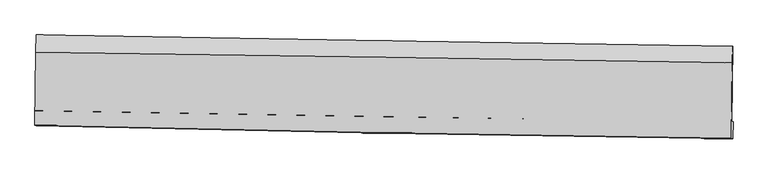
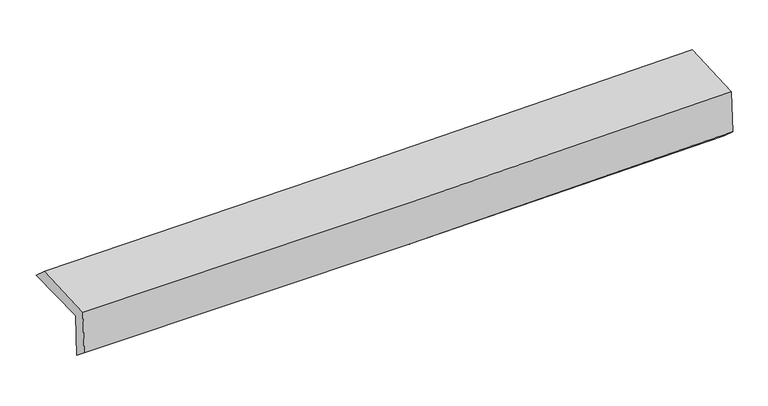
"""IFC4 building model written with IfcOpenShell, lengths in millimetres: proxy geometry."""

from ifc_helpers import new_model, si_unit, frame, origin, place, context, project, spatial, source, transform, mapped, element, save
from ifc_brep_helpers import plane_surface, spline_curve, spline_surface, advanced_brep


def generic_models_2a2c72ec(model_context):
    return source(origin(), model_context, "Body", "AdvancedBrep", [
        advanced_brep(
        [(-3030.3708856, -1749.6790547, 1970.16779), (-3021.2788298, -1093.811262, 1972.7826314), (3016.8191036, -1192.1518662, 2102.7373714), (3008.0106945, -1847.9881821, 2115.0956085), (-3020.8866101, -1748.2139971, 1569.7168702), (3017.8617023, -1846.4664745, 1699.1602851), (-3025.2315548, -1879.4209263, 1676.0815347), (3012.8469577, -1992.5527791, 1831.0646014), (-3034.872418, -1877.4046623, 2085.2142419), (3003.4382767, -1990.585724, 2230.2028421), (-3026.428423, -1242.3590441, 2102.9541124), (3011.5106313, -1335.6641536, 2248.4826768)],
        [
            (0, 1),
            (1, 2, spline_curve(3, [(-3021.2788298, -1093.811262, 1972.7826314), (-2014.704781789, -1111.959958004, 1984.166728783), (-1008.235151697, -1129.229469468, 2000.688586249), (1004.464153162, -1162.009616499, 2044.007150577), (2010.693834018, -1177.5203063, 2070.803539952), (3016.8191036, -1192.1518662, 2102.7373714)], [4, 2, 4], [0.0, 9.909313712006236, 19.818321001228778])),
            (2, 3),
            (3, 0, spline_curve(3, [(3008.0106945, -1847.9881821, 2115.0956085), (2001.555792212, -1833.408461502, 2092.31732886), (995.137655518, -1817.92631468, 2068.85106845), (-1017.656206514, -1785.156661449, 2020.541838013), (-2024.031930112, -1767.869099298, 1995.698825957), (-3030.3708856, -1749.6790547, 1970.16779)], [4, 2, 4], [0.0, 9.909007289222542, 19.818321001228778])),
            (4, 0),
            (3, 5),
            (5, 4, spline_curve(3, [(3017.8617023, -1846.4664745, 1699.1602851), (2011.428457699, -1831.883408425, 1675.467553714), (1004.990590395, -1816.404309402, 1652.834387526), (-1007.925513482, -1783.653539219, 1609.68651674), (-2014.403750208, -1766.38181245, 1589.171878334), (-3020.8866101, -1748.2139971, 1569.7168702)], [4, 2, 4], [0.0, 9.909500754499804, 19.819307947043058])),
            (6, 4),
            (5, 7),
            (7, 6, spline_curve(3, [(3012.8469577, -1992.5527791, 1831.0646014), (2006.569248978, -1980.400086203, 1798.297834334), (1000.264965175, -1964.896282819, 1768.999341241), (-1012.42787041, -1927.185872718, 1717.338104394), (-2018.816424642, -1904.979058211, 1694.97557526), (-3025.2315548, -1879.4209263, 1676.0815347)], [4, 2, 4], [0.0, 9.909699745388368, 19.81970593497371])),
            (8, 6),
            (7, 9),
            (9, 8, spline_curve(3, [(3003.4382767, -1990.585724, 2230.2028421), (1997.043294008, -1978.408394591, 2202.436683019), (990.661024719, -1962.888172398, 2176.471379201), (-1022.10920755, -1925.161358685, 2128.141734345), (-2028.49716987, -1902.954560476, 2105.777504972), (-3034.872418, -1877.4046623, 2085.2142419)], [4, 2, 4], [0.0, 9.909920181981049, 19.82014681497578])),
            (10, 8),
            (9, 11),
            (11, 10, spline_curve(3, [(3011.5106313, -1335.6641536, 2248.4826768), (2005.271273509, -1320.234443924, 2220.810068859), (998.997786981, -1304.744284292, 2194.846545749), (-1013.648562497, -1273.642585027, 2146.336918615), (-2020.021427221, -1258.031041391, 2123.79092019), (-3026.428423, -1242.3590441, 2102.9541124)], [4, 2, 4], [0.0, 9.909254869739206, 19.818816169918204])),
            (1, 10),
            (11, 2),
        ],
        [
            spline_surface(3, 3, [[(-3030.3708856, -1749.6790547, 1970.16779), (-2024.031930217, -1767.86909919, 1995.698825859), (-1017.656206642, -1785.156661403, 2020.541838079), (995.137655645, -1817.926314726, 2068.851068383), (2001.555792144, -1833.40846164, 2092.317328954), (3008.0106945, -1847.9881821, 2115.0956085)], [(-3027.340200335, -1531.056457144, 1971.039403799), (-2020.922880732, -1549.232718803, 1991.854793552), (-1014.515854969, -1566.514264091, 2013.924087464), (998.246488115, -1599.287415315, 2060.569762471), (2004.601806133, -1614.779076578, 2085.146065955), (3010.946830887, -1629.376076809, 2110.976196116)], [(-3024.309515065, -1312.433859556, 1971.911017601), (-2017.813831241, -1330.596338385, 1988.010761247), (-1011.375503279, -1347.871866781, 2007.306336821), (1001.355320602, -1380.648515908, 2052.288456532), (2007.647820062, -1396.149691487, 2077.974803009), (3013.882967213, -1410.763971491, 2106.856783784)], [(-3021.2788298, -1093.811262, 1972.7826314), (-2014.704781756, -1111.959957999, 1984.16672894), (-1008.235151606, -1129.229469469, 2000.688586206), (1004.464153072, -1162.009616498, 2044.00715062), (2010.693834051, -1177.520306425, 2070.80354001), (3016.8191036, -1192.1518662, 2102.7373714)]], [4, 4], [4, 2, 4], [0.0, 2.1534432445341074], [0.0, 9.909313712006236, 19.818321001228778]),
            spline_surface(3, 3, [[(-3020.8866101, -1748.2139971, 1569.7168702), (-2014.403750141, -1766.381812323, 1589.171878401), (-1007.925513482, -1783.653539118, 1609.686516871), (1004.990590396, -1816.404309503, 1652.834387395), (2011.428457809, -1831.883408501, 1675.467553841), (3017.8617023, -1846.4664745, 1699.1602851)], [(-3024.04803524, -1748.702349627, 1703.200510142), (-2017.613143474, -1766.877574605, 1724.680860895), (-1011.169077868, -1784.15457988, 1746.638290607), (1001.706278813, -1816.911644578, 1791.506614391), (2008.137569229, -1832.391759539, 1814.417478883), (3014.578033008, -1846.973710359, 1837.805392904)], [(-3027.20946046, -1749.190702173, 1836.684150058), (-2020.822536885, -1767.373336907, 1860.189843365), (-1014.412642256, -1784.655620641, 1883.590064343), (998.421967227, -1817.418979651, 1930.178841387), (2004.846680724, -1832.900110602, 1953.367403912), (3011.294363792, -1847.480946241, 1976.450500696)], [(-3030.3708856, -1749.6790547, 1970.16779), (-2024.031930217, -1767.86909919, 1995.698825859), (-1017.656206642, -1785.156661403, 2020.541838079), (995.137655645, -1817.926314726, 2068.851068383), (2001.555792144, -1833.40846164, 2092.317328954), (3008.0106945, -1847.9881821, 2115.0956085)]], [4, 4], [4, 2, 4], [0.0, 1.3568065148034174], [0.0, 9.909807192543253, 19.819307947043058]),
            spline_surface(3, 3, [[(-3025.2315548, -1879.4209263, 1676.0815347), (-2018.816424487, -1904.979058221, 1694.975575241), (-1012.427870539, -1927.185872605, 1717.338104456), (1000.264965305, -1964.896282932, 1768.999341179), (2006.569248882, -1980.400086174, 1798.297834233), (3012.8469577, -1992.5527791, 1831.0646014)], [(-3023.783239914, -1835.685283234, 1640.62664651), (-2017.345533052, -1858.779976255, 1659.707676271), (-1010.927084874, -1879.341761471, 1681.454241944), (1001.840173648, -1915.398958484, 1730.277689933), (2008.18898522, -1930.894526967, 1757.354407455), (3014.518539262, -1943.857344251, 1787.096495986)], [(-3022.334924986, -1791.949640166, 1605.17175839), (-2015.874641576, -1812.580894288, 1624.439777371), (-1009.426299148, -1831.497650252, 1645.570379383), (1003.415382052, -1865.901633951, 1691.55603864), (2009.808721471, -1881.388967708, 1716.410980619), (3016.190120738, -1895.161909349, 1743.128390514)], [(-3020.8866101, -1748.2139971, 1569.7168702), (-2014.403750141, -1766.381812323, 1589.171878401), (-1007.925513482, -1783.653539118, 1609.686516871), (1004.990590396, -1816.404309503, 1652.834387395), (2011.428457809, -1831.883408501, 1675.467553841), (3017.8617023, -1846.4664745, 1699.1602851)]], [4, 4], [4, 2, 4], [0.0, 0.603748060862631], [0.0, 9.910006189585344, 19.81970593497371]),
            spline_surface(3, 3, [[(-3034.872418, -1877.4046623, 2085.2142419), (-2028.497169935, -1902.954560332, 2105.777504879), (-1022.109207596, -1925.161358634, 2128.141734382), (990.661024765, -1962.888172449, 2176.471379165), (1997.043293977, -1978.408394712, 2202.436683056), (3003.4382767, -1990.585724, 2230.2028421)], [(-3031.658796942, -1878.076750301, 1948.836672845), (-2025.270254793, -1903.629392963, 1968.843528345), (-1018.882095223, -1925.836196601, 1991.207191062), (993.862338299, -1963.557542587, 2040.647366491), (2000.21861225, -1979.072291853, 2067.723733439), (3006.574503671, -1991.24140902, 2097.156761858)], [(-3028.445175858, -1878.748838299, 1812.459103755), (-2022.043339628, -1904.30422559, 1831.909551776), (-1015.654982912, -1926.511034638, 1854.272647776), (997.063651771, -1964.226912794, 1904.823353852), (2003.393930609, -1979.736189033, 1933.01078385), (3009.710730729, -1991.89709408, 1964.110681642)], [(-3025.2315548, -1879.4209263, 1676.0815347), (-2018.816424487, -1904.979058221, 1694.975575241), (-1012.427870539, -1927.185872605, 1717.338104456), (1000.264965305, -1964.896282932, 1768.999341179), (2006.569248882, -1980.400086174, 1798.297834233), (3012.8469577, -1992.5527791, 1831.0646014)]], [4, 4], [4, 2, 4], [0.0, 1.3427049425945279], [0.0, 9.91022663299473, 19.82014681497578]),
            spline_surface(3, 3, [[(-3026.428423, -1242.3590441, 2102.9541124), (-2020.021427285, -1258.03104132, 2123.790920339), (-1013.648562422, -1273.642584934, 2146.33691859), (998.997786906, -1304.744284384, 2194.846545774), (2005.271273465, -1320.234443892, 2220.810068963), (3011.5106313, -1335.6641536, 2248.4826768)], [(-3029.243087995, -1454.040916855, 2097.040822236), (-2022.84667483, -1473.005547679, 2117.786448521), (-1016.468777495, -1490.815509495, 2140.271857181), (996.218866177, -1524.1255804, 2188.72149023), (2002.528613644, -1539.625760832, 2214.685606987), (3008.819846442, -1553.971343733, 2242.389398559)], [(-3032.057753005, -1665.722789545, 2091.127532064), (-2025.67192239, -1687.980053973, 2111.781976697), (-1019.288992523, -1707.988434073, 2134.206795792), (993.439945494, -1743.506876434, 2182.596434708), (1999.785953798, -1759.017077772, 2208.561145033), (3006.129061558, -1772.278533867, 2236.296120341)], [(-3034.872418, -1877.4046623, 2085.2142419), (-2028.497169935, -1902.954560332, 2105.777504879), (-1022.109207596, -1925.161358634, 2128.141734382), (990.661024765, -1962.888172449, 2176.471379165), (1997.043293977, -1978.408394712, 2202.436683056), (3003.4382767, -1990.585724, 2230.2028421)]], [4, 4], [4, 2, 4], [0.0, 2.1494104602005155], [0.0, 9.909561300178998, 19.818816169918204]),
            spline_surface(3, 3, [[(-3021.2788298, -1093.811262, 1972.7826314), (-2014.704781756, -1111.959957999, 1984.16672894), (-1008.235151606, -1129.229469469, 2000.688586206), (1004.464153072, -1162.009616498, 2044.00715062), (2010.693834051, -1177.520306425, 2070.80354001), (3016.8191036, -1192.1518662, 2102.7373714)], [(-3022.995360874, -1143.327189339, 2016.173125069), (-2016.476996939, -1160.650319079, 2030.708126075), (-1010.039621859, -1177.367174625, 2049.238030327), (1002.642031036, -1209.587839128, 2094.286948997), (2008.886313852, -1225.091685575, 2120.805716338), (3015.04961283, -1239.989295327, 2151.319139877)], [(-3024.711891926, -1192.843116761, 2059.563618731), (-2018.249212102, -1209.340680241, 2077.249523204), (-1011.844092169, -1225.504879778, 2097.787474469), (1000.819908942, -1257.166061754, 2144.566747396), (2007.078793664, -1272.663064742, 2170.807892636), (3013.28012207, -1287.826724473, 2199.900908323)], [(-3026.428423, -1242.3590441, 2102.9541124), (-2020.021427285, -1258.03104132, 2123.790920339), (-1013.648562422, -1273.642584934, 2146.33691859), (998.997786906, -1304.744284384, 2194.846545774), (2005.271273465, -1320.234443892, 2220.810068963), (3011.5106313, -1335.6641536, 2248.4826768)]], [4, 4], [4, 2, 4], [0.0, 0.6773109541047875], [0.0, 9.908931909190345, 19.81755740740337]),
            plane_surface(frame((3011.7478944, -1700.9015299, 2037.7905642), z_axis=(0.9996365461528156, -0.01298069109150997, 0.02362789145176972), x_axis=(0.023565654347839828, -0.004926826628387761, -0.9997101511510884))),
            plane_surface(frame((-3026.5114535, -1598.4814911, 1896.1528634), z_axis=(-0.9996235581117442, 0.013951601773246745, -0.02362403174687224), x_axis=(-0.013861193005596453, -0.9998959824522826, -0.003986427504191135))),
        ],
        [
            (0, [[1, 2, 3, 4]]),
            (1, [[5, -4, 6, 7]]),
            (2, [[8, -7, 9, 10]]),
            (3, [[11, -10, 12, 13]]),
            (4, [[14, -13, 15, 16]]),
            (5, [[17, -16, 18, -2]]),
            (6, [[-12, -9, -6, -3, -18, -15]]),
            (7, [[-1, -5, -8, -11, -14, -17]]),
        ],
    ),
    ])


if __name__ == "__main__":
    model = new_model("IFC4")
    model_context = context("Model", 3, world=origin())
    ifc_project = project(units=[si_unit("LENGTHUNIT", "METRE", prefix="MILLI")], contexts=[model_context])
    site = spatial("IfcSite", under=ifc_project)
    building = spatial("IfcBuilding", under=site)
    placement = place(None, origin())
    generic_models_shape = generic_models_2a2c72ec(model_context)
    element("IfcBuildingElementProxy", 1, Name="Generic Models", at=placement, inside=building, context=model_context, shape_type="MappedRepresentation", body=[
        mapped(generic_models_shape, transform((0.0, 0.0, 0.0), x_axis=(1.0, 0.0, 0.0), y_axis=(0.0, 1.0, 0.0), z_axis=(0.0, 0.0, 1.0))),
    ])
    save(model, "model.ifc")
